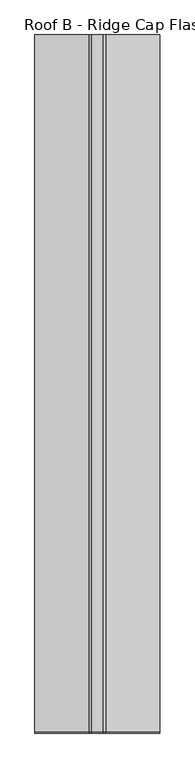
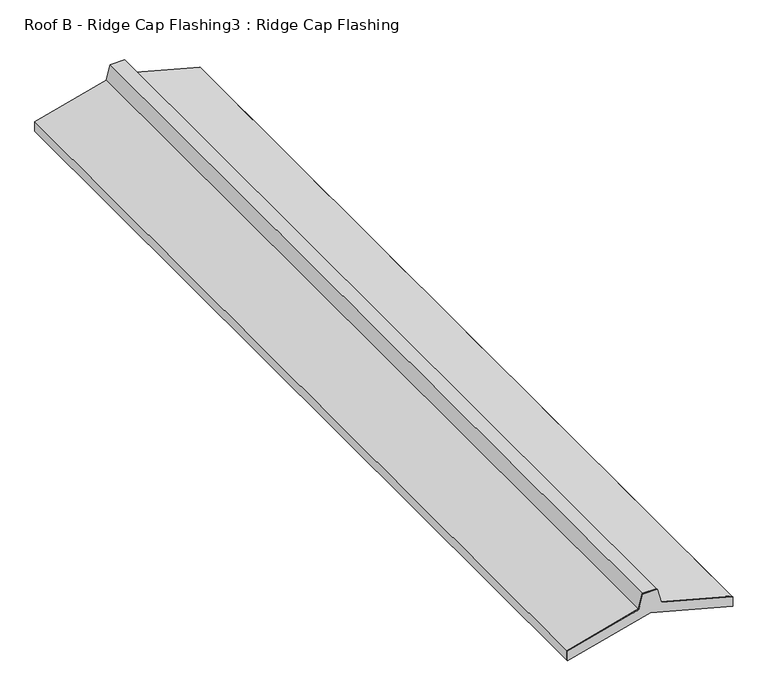
"""IFC4 building model written with IfcOpenShell, lengths in millimetres: proxy geometry, Roof B - Ridge Cap Flashing3 : Ridge Cap Flashing."""

from ifc_helpers import new_model, si_unit, frame, origin, place, context, project, spatial, polyline, outline, extrude, source, transform, mapped, element, save


def roof_b_ridge_cap_flashing3_ridge_cap_flashing_666e7adf(model_context):
    return source(origin(), model_context, "Body", "SweptSolid", [
        extrude(outline(polyline([(4041.5461554, 35801.0603323), (3982.7281721, 35785.3001012), (3907.4455258, 35504.3414402), (3868.543288, 35504.3414402), (3955.5176956, 35828.9343483), (3868.543288, 36153.5272564), (3907.4455258, 36153.5272564), (3982.7281721, 35872.5685954), (4041.5461554, 35856.8083643), (4041.5461554, 35801.0603323)])), frame((0.0, -16058.6297919, 0.0), z_axis=(0.0, 1.0, 0.0), x_axis=(0.0, 0.0, 1.0)), (0.0, 0.0, 1.0), 5.0),
        extrude(outline(polyline([(4041.5461554, 35856.8083643), (4041.5461554, 35801.0603323), (3982.7281721, 35785.3001012), (3907.4455258, 35504.3414402), (3868.543288, 35504.3414402), (3868.543288, 35505.3414402), (3906.6781988, 35505.3414402), (3981.9116755, 35786.1165977), (4040.5461554, 35801.8276593), (4040.5461554, 35856.0410373), (3981.9116755, 35871.7520988), (3906.6781988, 36152.5272564), (3868.543288, 36152.5272564), (3868.543288, 36153.5272564), (3907.4455258, 36153.5272564), (3982.7281721, 35872.5685954), (4041.5461554, 35856.8083643)])), frame((0.0, -16053.6297919, 0.0), z_axis=(0.0, 1.0, 0.0), x_axis=(0.0, 0.0, 1.0)), (0.0, 0.0, 1.0), 3624.5659865),
    ])


if __name__ == "__main__":
    model = new_model("IFC4")
    model_context = context("Model", 3, world=origin())
    ifc_project = project(units=[si_unit("LENGTHUNIT", "METRE", prefix="MILLI")], contexts=[model_context])
    site = spatial("IfcSite", under=ifc_project)
    building = spatial("IfcBuilding", under=site)
    placement = place(None, origin())
    roof_b_ridge_cap_flashing3_ridge_cap_flashing_shape = roof_b_ridge_cap_flashing3_ridge_cap_flashing_666e7adf(model_context)
    element("IfcBuildingElementProxy", 1, Name="Roof B - Ridge Cap Flashing3 : Ridge Cap Flashing", ObjectType="Roof B - Ridge Cap Flashing3 : Ridge Cap Flashing", at=placement, inside=building, context=model_context, shape_type="MappedRepresentation", body=[
        mapped(roof_b_ridge_cap_flashing3_ridge_cap_flashing_shape, transform((0.0, 0.0, 0.0), x_axis=(1.0, 0.0, 0.0), y_axis=(0.0, 1.0, 0.0), z_axis=(0.0, 0.0, 1.0))),
    ])
    save(model, "model.ifc")
